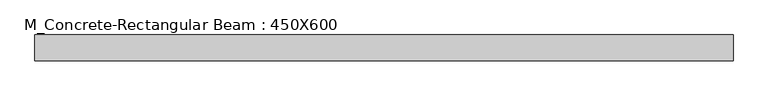
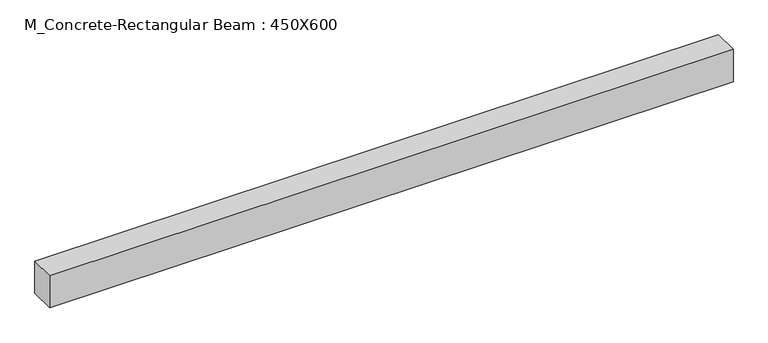
"""IFC4 building model written with IfcOpenShell, lengths in millimetres: beam geometry, M_Concrete-Rectangular Beam : 450X600."""

from ifc_helpers import new_model, si_unit, frame, origin, place, context, project, spatial, polyline, outline, extrude, source, transform, mapped, element, save


def m_concrete_rectangular_beam_450x600_aface70f(model_context):
    return source(origin(), model_context, "Body", "SweptSolid", [
        extrude(outline(polyline([(6050.0, 225.0), (6050.0, -225.0), (-6050.0, -225.0), (-6050.0, 225.0), (6050.0, 225.0)])), frame((0.0, 0.0, -300.0), z_axis=(0.0, 0.0, 1.0), x_axis=(1.0, 0.0, 0.0)), (0.0, 0.0, 1.0), 600.0),
    ])


if __name__ == "__main__":
    model = new_model("IFC4")
    model_context = context("Model", 3, world=origin())
    ifc_project = project(units=[si_unit("LENGTHUNIT", "METRE", prefix="MILLI")], contexts=[model_context])
    site = spatial("IfcSite", under=ifc_project)
    building = spatial("IfcBuilding", under=site)
    placement = place(None, origin())
    m_concrete_rectangular_beam_450x600_shape = m_concrete_rectangular_beam_450x600_aface70f(model_context)
    element("IfcBeam", 1, ObjectType="M_Concrete-Rectangular Beam : 450X600", at=placement, inside=building, context=model_context, shape_type="MappedRepresentation", body=[
        mapped(m_concrete_rectangular_beam_450x600_shape, transform((0.0, 0.0, 0.0), x_axis=(1.0, 0.0, 0.0), y_axis=(0.0, 1.0, 0.0), z_axis=(0.0, 0.0, 1.0))),
    ])
    save(model, "model.ifc")
